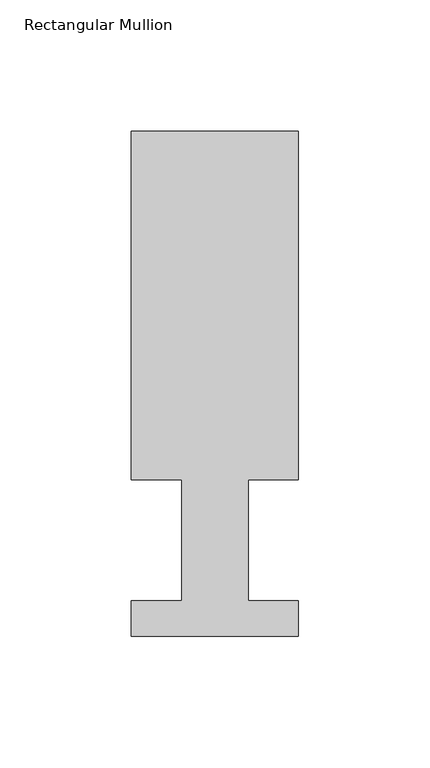
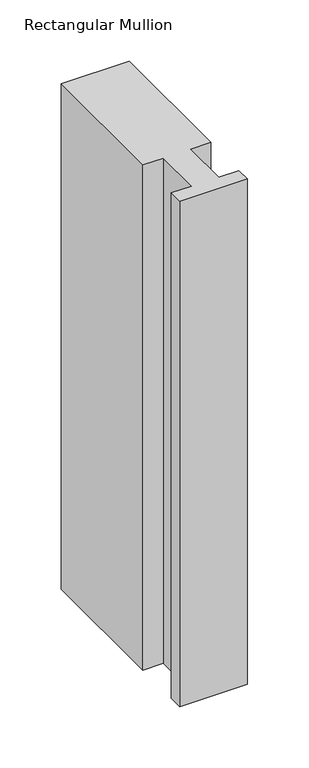
"""IFC4 building model written with IfcOpenShell, lengths in millimetres: member geometry, Rectangular Mullion."""

from ifc_helpers import new_model, si_unit, frame, origin, place, context, project, spatial, polyline, outline, extrude, source, transform, mapped, element, save


def rectangular_mullion_a6a902c0(model_context):
    return source(origin(), model_context, "Body", "SweptSolid", [
        extrude(outline(polyline([(-63.5, 192.09385), (0.0, 192.09385), (0.0, 59.53125), (-19.0373, 59.53125), (-19.0373, 13.50645), (0.0, 13.50645), (0.0, 0.04445), (-63.5, 0.04445), (-63.5, 13.50645), (-44.45, 13.50645), (-44.45, 59.53125), (-63.5, 59.53125), (-63.5, 192.09385)])), frame((0.0, 0.0, -501.65), z_axis=(0.0, 0.0, 1.0), x_axis=(1.0, 0.0, 0.0)), (0.0, 0.0, 1.0), 501.65),
    ])


if __name__ == "__main__":
    model = new_model("IFC4")
    model_context = context("Model", 3, world=origin())
    ifc_project = project(units=[si_unit("LENGTHUNIT", "METRE", prefix="MILLI")], contexts=[model_context])
    site = spatial("IfcSite", under=ifc_project)
    building = spatial("IfcBuilding", under=site)
    placement = place(None, origin())
    rectangular_mullion_shape = rectangular_mullion_a6a902c0(model_context)
    element("IfcMember", 1, ObjectType="Rectangular Mullion", at=placement, inside=building, context=model_context, shape_type="MappedRepresentation", body=[
        mapped(rectangular_mullion_shape, transform((0.0, 0.0, 0.0), x_axis=(1.0, 0.0, 0.0), y_axis=(0.0, 1.0, 0.0), z_axis=(0.0, 0.0, 1.0))),
    ])
    save(model, "model.ifc")
